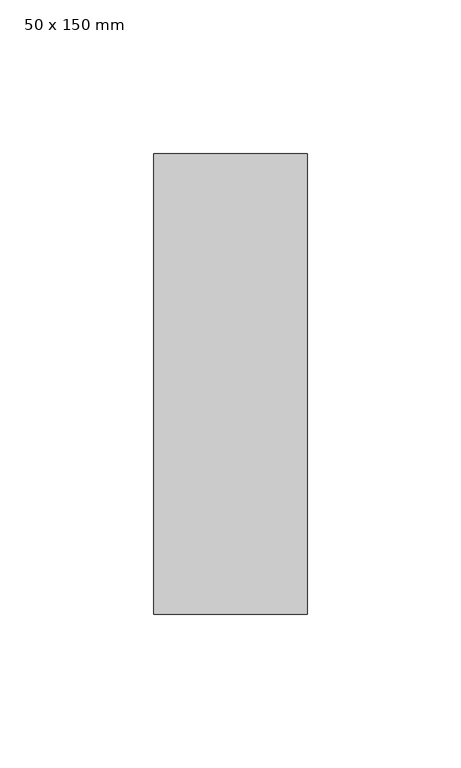
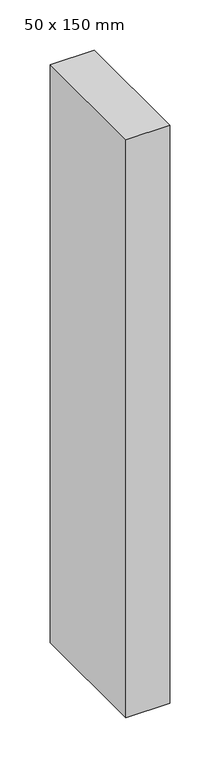
"""IFC4 building model written with IfcOpenShell, lengths in millimetres: member geometry, 50 x 150 mm."""

import ifcopenshell
import ifcopenshell.guid

model = None  # the IFC model being written
_history = None  # IfcOwnerHistory: only IFC2X3 demands one
_inside = {}  # id of a spatial element -> (the spatial element, [elements in it])
_under = {}  # id of a project, library or spatial element -> (it, [spatial elements below it])
_declared = {}  # id of a project -> (the project, [libraries it declares])
_typed = {}  # id of a type object -> (the type object, [elements of that type])
_made_of = {}  # id of a material, layer set ... -> (it, [elements and type objects made of it])


def new_model(schema):
    """Start an empty IFC model of exactly this schema.

    Asked for "IFC4X3", IfcOpenShell would pick the latest addendum, in which some entities
    have other attributes; the version numbers below select the first issue.
    IFC2X3 requires an IfcOwnerHistory on every rooted entity: one is made here for all.
    """
    global model, _history
    if schema == "IFC4X3":
        model = ifcopenshell.file(schema_version=(4, 3, 0, 0))
    else:
        model = ifcopenshell.file(schema=schema)
    _inside.clear()
    _under.clear()
    _declared.clear()
    _typed.clear()
    _made_of.clear()
    _history = None
    if model.schema == "IFC2X3":
        org = make("IfcOrganization", Name="unknown")
        user = make(
            "IfcPersonAndOrganization",
            ThePerson=make("IfcPerson", FamilyName="unknown"),
            TheOrganization=org,
        )
        app = make(
            "IfcApplication",
            ApplicationDeveloper=org,
            Version="unknown",
            ApplicationFullName="unknown",
            ApplicationIdentifier="unknown",
        )
        _history = make(
            "IfcOwnerHistory",
            OwningUser=user,
            OwningApplication=app,
            ChangeAction="ADDED",
            CreationDate=0,
        )
    return model


def make(cls, **values):
    """One entity of the class cls with the attributes given. An attribute that is None is left unset."""
    return model.create_entity(
        cls, **{name: value for name, value in values.items() if value is not None}
    )


def rooted(cls, **values):
    """An entity with a GlobalId (a new one), such as an element, a storey or a relation."""
    return make(cls, GlobalId=ifcopenshell.guid.new(), OwnerHistory=_history, **values)


def si_unit(unit_type, name, prefix=None):
    """IfcSIUnit, for example si_unit("LENGTHUNIT", "METRE", prefix="MILLI")."""
    return make("IfcSIUnit", UnitType=unit_type, Prefix=prefix, Name=name)


def assignment(units):
    """IfcUnitAssignment: the units of a project."""
    return None if units is None else make("IfcUnitAssignment", Units=units)


def point(xyz):
    """IfcCartesianPoint."""
    return None if xyz is None else make("IfcCartesianPoint", Coordinates=xyz)


def direction(xyz):
    """IfcDirection."""
    return None if xyz is None else make("IfcDirection", DirectionRatios=xyz)


def frame(location, z_axis=None, x_axis=None):
    """IfcAxis2Placement3D, a coordinate frame: its origin and axes. An axis left out is left unset."""
    return make(
        "IfcAxis2Placement3D",
        Location=point(location),
        Axis=direction(z_axis),
        RefDirection=direction(x_axis),
    )


def origin():
    """The frame at (0, 0, 0) with its axes left unset."""
    return frame((0.0, 0.0, 0.0))


def place(relative_to, where):
    """IfcLocalPlacement: puts the frame where relative to a parent placement (None: the world)."""
    return make(
        "IfcLocalPlacement", PlacementRelTo=relative_to, RelativePlacement=where
    )


def context(
    kind, dimensions, precision=None, world=None, true_north=None, identifier=None
):
    """IfcGeometricRepresentationContext, for example the 3D "Model" context."""
    return make(
        "IfcGeometricRepresentationContext",
        ContextIdentifier=identifier,
        ContextType=kind,
        CoordinateSpaceDimension=dimensions,
        Precision=precision,
        WorldCoordinateSystem=world,
        TrueNorth=true_north,
    )


def project(units=None, contexts=None):
    """IfcProject with its units and contexts."""
    return rooted(
        "IfcProject",
        Name="project",
        RepresentationContexts=contexts,
        UnitsInContext=assignment(units),
    )


def spatial(cls, under=None, at=None, **own):
    """A site, building, storey or space (cls), placed at a placement, below another one or the project."""
    s = rooted(cls, ObjectPlacement=at, **own)
    if under is not None:
        _under.setdefault(under.id(), (under, []))[1].append(s)
    return s


def polyline(points):
    """IfcPolyline through the points."""
    return make("IfcPolyline", Points=[point(p) for p in points])


def outline(outer, holes=None, kind="AREA"):
    """IfcArbitraryClosedProfileDef: a profile drawn as a closed curve; with holes, ...WithVoids."""
    if holes is None:
        return make("IfcArbitraryClosedProfileDef", ProfileType=kind, OuterCurve=outer)
    return make(
        "IfcArbitraryProfileDefWithVoids",
        ProfileType=kind,
        OuterCurve=outer,
        InnerCurves=holes,
    )


def extrude(swept, where, along, depth):
    """IfcExtrudedAreaSolid: the profile swept, set in the frame where, extruded along a direction by depth."""
    return make(
        "IfcExtrudedAreaSolid",
        SweptArea=swept,
        Position=where,
        ExtrudedDirection=direction(along),
        Depth=depth,
    )


def shape(context_of_items, identifier, shape_type, items):
    """IfcShapeRepresentation: the items that make up one representation, for example the "Body"."""
    return make(
        "IfcShapeRepresentation",
        ContextOfItems=context_of_items,
        RepresentationIdentifier=identifier,
        RepresentationType=shape_type,
        Items=items,
    )


def source(mapping_origin, context_of_items, identifier, shape_type, items):
    """IfcRepresentationMap: a shape defined once, which mapped items show again and again."""
    return make(
        "IfcRepresentationMap",
        MappingOrigin=mapping_origin,
        MappedRepresentation=shape(context_of_items, identifier, shape_type, items),
    )


def transform(
    local_origin,
    x_axis=None,
    y_axis=None,
    z_axis=None,
    scale=None,
    scale2=None,
    scale3=None,
    uniform=True,
):
    """IfcCartesianTransformationOperator3D, or its non-uniform kind. x_axis, y_axis, z_axis: its Axis1, 2, 3."""
    if uniform:
        return make(
            "IfcCartesianTransformationOperator3D",
            Axis1=direction(x_axis),
            Axis2=direction(y_axis),
            LocalOrigin=point(local_origin),
            Scale=scale,
            Axis3=direction(z_axis),
        )
    return make(
        "IfcCartesianTransformationOperator3DnonUniform",
        Axis1=direction(x_axis),
        Axis2=direction(y_axis),
        LocalOrigin=point(local_origin),
        Scale=scale,
        Axis3=direction(z_axis),
        Scale2=scale2,
        Scale3=scale3,
    )


def mapped(mapping_source, mapping_target):
    """IfcMappedItem: shows the shape of a source again, moved by a transform."""
    return make(
        "IfcMappedItem", MappingSource=mapping_source, MappingTarget=mapping_target
    )


def made_of(thing, what):
    """Note that an element or type object is made of a material, layer set ...; save() writes the relation."""
    if what is not None:
        _made_of.setdefault(what.id(), (what, []))[1].append(thing)
    return thing


def element(
    cls,
    number,
    at=None,
    inside=None,
    cuts=None,
    type_object=None,
    material=None,
    context=None,
    identifier="Body",
    shape_type=None,
    held_by="IfcProductDefinitionShape",
    body=None,
    shapes=None,
    **own,
):
    """One element of the class cls, such as IfcWall. Its Tag is "e" and its number.

    at: its placement. inside: the storey or other place that contains it. cuts: it is an
    opening in that element (IfcRelVoidsElement). A single representation is given by context,
    identifier, shape_type and body (its items); several are given by shapes. held_by: the class
    of the entity that holds the representations. save() writes the other relations.
    """
    e = rooted(cls, Tag="e%d" % number, ObjectPlacement=at, **own)
    if body is not None:
        shapes = [shape(context, identifier, shape_type, body)]
    if shapes is not None:
        e.Representation = make(held_by, Representations=shapes)
    if inside is not None:
        _inside.setdefault(inside.id(), (inside, []))[1].append(e)
    if cuts is not None:
        rooted(
            "IfcRelVoidsElement", RelatingBuildingElement=cuts, RelatedOpeningElement=e
        )
    if type_object is not None:
        _typed.setdefault(type_object.id(), (type_object, []))[1].append(e)
    return made_of(e, material)


def aggregate(whole, parts):
    """IfcRelAggregates: a whole, such as a stair, and the parts it consists of."""
    return rooted("IfcRelAggregates", RelatingObject=whole, RelatedObjects=parts)


def save(model, path):
    """Write the relations noted so far, then the file.

    IfcRelAggregates (storeys below a building ...), IfcRelContainedInSpatialStructure (elements
    in a storey), IfcRelDefinesByType, IfcRelAssociatesMaterial and IfcRelDeclares: one each for
    every whole, place, type object, material and project.
    """
    for whole, parts in _under.values():
        aggregate(whole, parts)
    for where, things in _inside.values():
        rooted(
            "IfcRelContainedInSpatialStructure",
            RelatedElements=things,
            RelatingStructure=where,
        )
    for kind, things in _typed.values():
        rooted("IfcRelDefinesByType", RelatedObjects=things, RelatingType=kind)
    for what, things in _made_of.values():
        rooted("IfcRelAssociatesMaterial", RelatedObjects=things, RelatingMaterial=what)
    for by, libraries in _declared.values():
        rooted("IfcRelDeclares", RelatingContext=by, RelatedDefinitions=libraries)
    model.write(path)


def member_50_x_150_mm_205d2b36(model_context):
    return source(origin(), model_context, "Body", "SweptSolid", [
        extrude(outline(polyline([(0.0, 75.0), (0.0, -75.0), (-50.0, -75.0), (-50.0, 75.0), (0.0, 75.0)])), frame((0.0, 0.0, -700.0), z_axis=(0.0, 0.0, 1.0), x_axis=(1.0, 0.0, 0.0)), (0.0, 0.0, 1.0), 700.0),
    ])


if __name__ == "__main__":
    model = new_model("IFC4")
    model_context = context("Model", 3, world=origin())
    ifc_project = project(units=[si_unit("LENGTHUNIT", "METRE", prefix="MILLI")], contexts=[model_context])
    site = spatial("IfcSite", under=ifc_project)
    building = spatial("IfcBuilding", under=site)
    placement = place(None, origin())
    member_50_x_150_mm_shape = member_50_x_150_mm_205d2b36(model_context)
    element("IfcMember", 1, ObjectType="50 x 150 mm", at=placement, inside=building, context=model_context, shape_type="MappedRepresentation", body=[
        mapped(member_50_x_150_mm_shape, transform((0.0, 0.0, 0.0), x_axis=(1.0, 0.0, 0.0), y_axis=(0.0, 1.0, 0.0), z_axis=(0.0, 0.0, 1.0))),
    ])
    save(model, "model.ifc")
